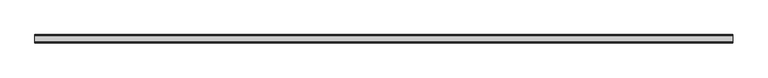
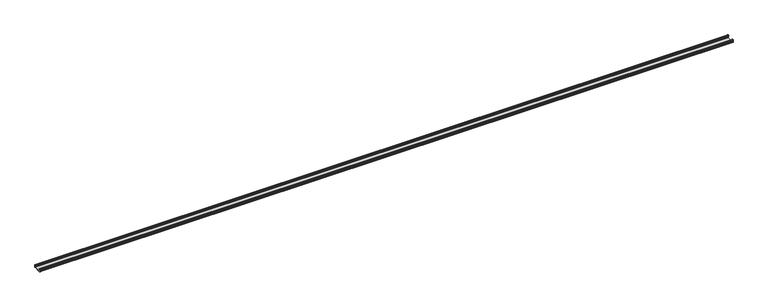
"""IFC4 building model written with IfcOpenShell, lengths in millimetres: proxy geometry."""

from ifc_helpers import new_model, si_unit, point, frame, frame_2d, origin, place, context, project, spatial, polyline, circle_curve, trimmed, segment, composite_curve, outline, extrude, source, transform, mapped, element, save


def generic_models_5994f4bc(model_context):
    return source(origin(), model_context, "Body", "SweptSolid", [
        extrude(outline(composite_curve([segment(polyline([(-22.3, 0.0), (-18.2, 0.0), (-18.2, -1.0), (-22.5, -1.0), (-22.5, -4.6192262), (-22.0661359, -5.6666667), (-22.5, -6.7141072), (-22.5, -10.2858928), (-22.0661359, -11.3333333), (-22.5, -12.3807738), (-22.5, -16.0), (22.5, -16.0), (22.5, -12.3807738), (22.0661359, -11.3333333), (22.5, -10.2858928), (22.5, -6.7141072), (22.0661359, -5.6666667), (22.5, -4.6192262), (22.5, -1.0), (18.2, -1.0), (18.2, 0.0), (22.3, 0.0)]), True, "CONTINUOUS"), segment(trimmed(circle_curve(frame_2d((22.3, -1.2)), 1.2), [point((22.3, 0.0))], [point((23.5, -1.2))], False, "CARTESIAN"), True, "CONTINUOUS"), segment(polyline([(23.5, -1.2), (23.5, -4.6192262), (23.0661359, -5.6666667), (23.5, -6.7141072), (23.5, -10.2858928), (23.0661359, -11.3333333), (23.5, -12.3807738), (23.5, -15.8)]), True, "CONTINUOUS"), segment(trimmed(circle_curve(frame_2d((22.3, -15.8)), 1.2), [point((23.5, -15.8))], [point((22.3, -17.0))], False, "CARTESIAN"), True, "CONTINUOUS"), segment(polyline([(22.3, -17.0), (-22.3, -17.0)]), True, "CONTINUOUS"), segment(trimmed(circle_curve(frame_2d((-22.3, -15.8)), 1.2), [point((-22.3, -17.0))], [point((-23.5, -15.8))], False, "CARTESIAN"), True, "CONTINUOUS"), segment(polyline([(-23.5, -15.8), (-23.5, -12.3807738), (-23.0661359, -11.3333333), (-23.5, -10.2858928), (-23.5, -6.7141072), (-23.0661359, -5.6666667), (-23.5, -4.6192262), (-23.5, -1.2)]), True, "CONTINUOUS"), segment(trimmed(circle_curve(frame_2d((-22.3, -1.2)), 1.2), [point((-23.5, -1.2))], [point((-22.3, 0.0))], False, "CARTESIAN"), True, "CONTINUOUS")], self_intersect=False)), frame((0.0, 0.0, 0.0), z_axis=(1.0, 0.0, 0.0), x_axis=(0.0, 1.0, 0.0)), (0.0, 0.0, 1.0), 4000.0),
    ])


if __name__ == "__main__":
    model = new_model("IFC4")
    model_context = context("Model", 3, world=origin())
    ifc_project = project(units=[si_unit("LENGTHUNIT", "METRE", prefix="MILLI")], contexts=[model_context])
    site = spatial("IfcSite", under=ifc_project)
    building = spatial("IfcBuilding", under=site)
    placement = place(None, origin())
    generic_models_shape = generic_models_5994f4bc(model_context)
    element("IfcBuildingElementProxy", 1, Name="Generic Models", at=placement, inside=building, context=model_context, shape_type="MappedRepresentation", body=[
        mapped(generic_models_shape, transform((0.0, 0.0, 0.0), x_axis=(1.0, 0.0, 0.0), y_axis=(0.0, 1.0, 0.0), z_axis=(0.0, 0.0, 1.0))),
    ])
    save(model, "model.ifc")
